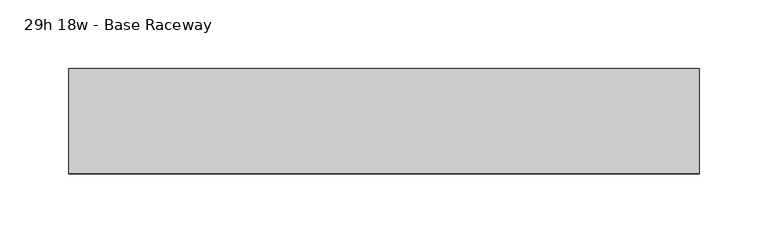
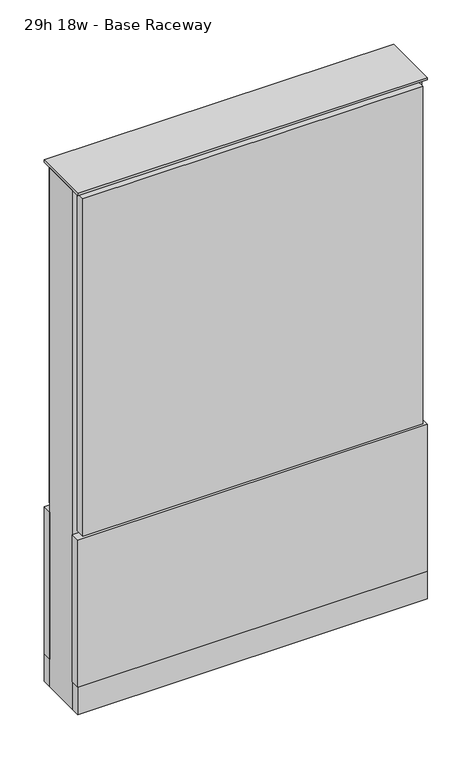
"""IFC4 building model written with IfcOpenShell, lengths in millimetres: furniture geometry, 29h 18w - Base Raceway."""

import ifcopenshell
import ifcopenshell.guid

model = None  # the IFC model being written
_history = None  # IfcOwnerHistory: only IFC2X3 demands one
_inside = {}  # id of a spatial element -> (the spatial element, [elements in it])
_under = {}  # id of a project, library or spatial element -> (it, [spatial elements below it])
_declared = {}  # id of a project -> (the project, [libraries it declares])
_typed = {}  # id of a type object -> (the type object, [elements of that type])
_made_of = {}  # id of a material, layer set ... -> (it, [elements and type objects made of it])


def new_model(schema):
    """Start an empty IFC model of exactly this schema.

    Asked for "IFC4X3", IfcOpenShell would pick the latest addendum, in which some entities
    have other attributes; the version numbers below select the first issue.
    IFC2X3 requires an IfcOwnerHistory on every rooted entity: one is made here for all.
    """
    global model, _history
    if schema == "IFC4X3":
        model = ifcopenshell.file(schema_version=(4, 3, 0, 0))
    else:
        model = ifcopenshell.file(schema=schema)
    _inside.clear()
    _under.clear()
    _declared.clear()
    _typed.clear()
    _made_of.clear()
    _history = None
    if model.schema == "IFC2X3":
        org = make("IfcOrganization", Name="unknown")
        user = make(
            "IfcPersonAndOrganization",
            ThePerson=make("IfcPerson", FamilyName="unknown"),
            TheOrganization=org,
        )
        app = make(
            "IfcApplication",
            ApplicationDeveloper=org,
            Version="unknown",
            ApplicationFullName="unknown",
            ApplicationIdentifier="unknown",
        )
        _history = make(
            "IfcOwnerHistory",
            OwningUser=user,
            OwningApplication=app,
            ChangeAction="ADDED",
            CreationDate=0,
        )
    return model


def make(cls, **values):
    """One entity of the class cls with the attributes given. An attribute that is None is left unset."""
    return model.create_entity(
        cls, **{name: value for name, value in values.items() if value is not None}
    )


def rooted(cls, **values):
    """An entity with a GlobalId (a new one), such as an element, a storey or a relation."""
    return make(cls, GlobalId=ifcopenshell.guid.new(), OwnerHistory=_history, **values)


def si_unit(unit_type, name, prefix=None):
    """IfcSIUnit, for example si_unit("LENGTHUNIT", "METRE", prefix="MILLI")."""
    return make("IfcSIUnit", UnitType=unit_type, Prefix=prefix, Name=name)


def assignment(units):
    """IfcUnitAssignment: the units of a project."""
    return None if units is None else make("IfcUnitAssignment", Units=units)


def point(xyz):
    """IfcCartesianPoint."""
    return None if xyz is None else make("IfcCartesianPoint", Coordinates=xyz)


def direction(xyz):
    """IfcDirection."""
    return None if xyz is None else make("IfcDirection", DirectionRatios=xyz)


def frame(location, z_axis=None, x_axis=None):
    """IfcAxis2Placement3D, a coordinate frame: its origin and axes. An axis left out is left unset."""
    return make(
        "IfcAxis2Placement3D",
        Location=point(location),
        Axis=direction(z_axis),
        RefDirection=direction(x_axis),
    )


def frame_2d(location, x_axis=None):
    """IfcAxis2Placement2D, a coordinate frame in the plane: its origin and x axis."""
    return make(
        "IfcAxis2Placement2D", Location=point(location), RefDirection=direction(x_axis)
    )


def origin():
    """The frame at (0, 0, 0) with its axes left unset."""
    return frame((0.0, 0.0, 0.0))


def origin_with_axes():
    """The frame at (0, 0, 0) with the z axis (0, 0, 1) and the x axis (1, 0, 0) written out."""
    return frame((0.0, 0.0, 0.0), z_axis=(0.0, 0.0, 1.0), x_axis=(1.0, 0.0, 0.0))


def place(relative_to, where):
    """IfcLocalPlacement: puts the frame where relative to a parent placement (None: the world)."""
    return make(
        "IfcLocalPlacement", PlacementRelTo=relative_to, RelativePlacement=where
    )


def context(
    kind, dimensions, precision=None, world=None, true_north=None, identifier=None
):
    """IfcGeometricRepresentationContext, for example the 3D "Model" context."""
    return make(
        "IfcGeometricRepresentationContext",
        ContextIdentifier=identifier,
        ContextType=kind,
        CoordinateSpaceDimension=dimensions,
        Precision=precision,
        WorldCoordinateSystem=world,
        TrueNorth=true_north,
    )


def project(units=None, contexts=None):
    """IfcProject with its units and contexts."""
    return rooted(
        "IfcProject",
        Name="project",
        RepresentationContexts=contexts,
        UnitsInContext=assignment(units),
    )


def spatial(cls, under=None, at=None, **own):
    """A site, building, storey or space (cls), placed at a placement, below another one or the project."""
    s = rooted(cls, ObjectPlacement=at, **own)
    if under is not None:
        _under.setdefault(under.id(), (under, []))[1].append(s)
    return s


def polyline(points):
    """IfcPolyline through the points."""
    return make("IfcPolyline", Points=[point(p) for p in points])


def circle_curve(where, radius):
    """IfcCircle in the frame where."""
    return make("IfcCircle", Position=where, Radius=radius)


def trimmed(basis, trim1, trim2, sense, master):
    """IfcTrimmedCurve: the piece of a basis curve between two trims."""
    return make(
        "IfcTrimmedCurve",
        BasisCurve=basis,
        Trim1=trim1,
        Trim2=trim2,
        SenseAgreement=sense,
        MasterRepresentation=master,
    )


def segment(curve, same_sense, transition):
    """IfcCompositeCurveSegment."""
    return make(
        "IfcCompositeCurveSegment",
        Transition=transition,
        SameSense=same_sense,
        ParentCurve=curve,
    )


def composite_curve(segments, self_intersect=None):
    """IfcCompositeCurve: segments joined end to end."""
    return make("IfcCompositeCurve", Segments=segments, SelfIntersect=self_intersect)


def outline(outer, holes=None, kind="AREA"):
    """IfcArbitraryClosedProfileDef: a profile drawn as a closed curve; with holes, ...WithVoids."""
    if holes is None:
        return make("IfcArbitraryClosedProfileDef", ProfileType=kind, OuterCurve=outer)
    return make(
        "IfcArbitraryProfileDefWithVoids",
        ProfileType=kind,
        OuterCurve=outer,
        InnerCurves=holes,
    )


def extrude(swept, where, along, depth):
    """IfcExtrudedAreaSolid: the profile swept, set in the frame where, extruded along a direction by depth."""
    return make(
        "IfcExtrudedAreaSolid",
        SweptArea=swept,
        Position=where,
        ExtrudedDirection=direction(along),
        Depth=depth,
    )


def shape(context_of_items, identifier, shape_type, items):
    """IfcShapeRepresentation: the items that make up one representation, for example the "Body"."""
    return make(
        "IfcShapeRepresentation",
        ContextOfItems=context_of_items,
        RepresentationIdentifier=identifier,
        RepresentationType=shape_type,
        Items=items,
    )


def source(mapping_origin, context_of_items, identifier, shape_type, items):
    """IfcRepresentationMap: a shape defined once, which mapped items show again and again."""
    return make(
        "IfcRepresentationMap",
        MappingOrigin=mapping_origin,
        MappedRepresentation=shape(context_of_items, identifier, shape_type, items),
    )


def transform(
    local_origin,
    x_axis=None,
    y_axis=None,
    z_axis=None,
    scale=None,
    scale2=None,
    scale3=None,
    uniform=True,
):
    """IfcCartesianTransformationOperator3D, or its non-uniform kind. x_axis, y_axis, z_axis: its Axis1, 2, 3."""
    if uniform:
        return make(
            "IfcCartesianTransformationOperator3D",
            Axis1=direction(x_axis),
            Axis2=direction(y_axis),
            LocalOrigin=point(local_origin),
            Scale=scale,
            Axis3=direction(z_axis),
        )
    return make(
        "IfcCartesianTransformationOperator3DnonUniform",
        Axis1=direction(x_axis),
        Axis2=direction(y_axis),
        LocalOrigin=point(local_origin),
        Scale=scale,
        Axis3=direction(z_axis),
        Scale2=scale2,
        Scale3=scale3,
    )


def mapped(mapping_source, mapping_target):
    """IfcMappedItem: shows the shape of a source again, moved by a transform."""
    return make(
        "IfcMappedItem", MappingSource=mapping_source, MappingTarget=mapping_target
    )


def made_of(thing, what):
    """Note that an element or type object is made of a material, layer set ...; save() writes the relation."""
    if what is not None:
        _made_of.setdefault(what.id(), (what, []))[1].append(thing)
    return thing


def element(
    cls,
    number,
    at=None,
    inside=None,
    cuts=None,
    type_object=None,
    material=None,
    context=None,
    identifier="Body",
    shape_type=None,
    held_by="IfcProductDefinitionShape",
    body=None,
    shapes=None,
    **own,
):
    """One element of the class cls, such as IfcWall. Its Tag is "e" and its number.

    at: its placement. inside: the storey or other place that contains it. cuts: it is an
    opening in that element (IfcRelVoidsElement). A single representation is given by context,
    identifier, shape_type and body (its items); several are given by shapes. held_by: the class
    of the entity that holds the representations. save() writes the other relations.
    """
    e = rooted(cls, Tag="e%d" % number, ObjectPlacement=at, **own)
    if body is not None:
        shapes = [shape(context, identifier, shape_type, body)]
    if shapes is not None:
        e.Representation = make(held_by, Representations=shapes)
    if inside is not None:
        _inside.setdefault(inside.id(), (inside, []))[1].append(e)
    if cuts is not None:
        rooted(
            "IfcRelVoidsElement", RelatingBuildingElement=cuts, RelatedOpeningElement=e
        )
    if type_object is not None:
        _typed.setdefault(type_object.id(), (type_object, []))[1].append(e)
    return made_of(e, material)


def aggregate(whole, parts):
    """IfcRelAggregates: a whole, such as a stair, and the parts it consists of."""
    return rooted("IfcRelAggregates", RelatingObject=whole, RelatedObjects=parts)


def save(model, path):
    """Write the relations noted so far, then the file.

    IfcRelAggregates (storeys below a building ...), IfcRelContainedInSpatialStructure (elements
    in a storey), IfcRelDefinesByType, IfcRelAssociatesMaterial and IfcRelDeclares: one each for
    every whole, place, type object, material and project.
    """
    for whole, parts in _under.values():
        aggregate(whole, parts)
    for where, things in _inside.values():
        rooted(
            "IfcRelContainedInSpatialStructure",
            RelatedElements=things,
            RelatingStructure=where,
        )
    for kind, things in _typed.values():
        rooted("IfcRelDefinesByType", RelatedObjects=things, RelatingType=kind)
    for what, things in _made_of.values():
        rooted("IfcRelAssociatesMaterial", RelatedObjects=things, RelatingMaterial=what)
    for by, libraries in _declared.values():
        rooted("IfcRelDeclares", RelatingContext=by, RelatedDefinitions=libraries)
    model.write(path)


def furniture_29h_18w_base_raceway_fc00d8c4(model_context):
    return source(origin(), model_context, "Body", "SweptSolid", [
        extrude(outline(composite_curve([segment(trimmed(circle_curve(frame_2d((154.8402902, 0.0)), 12.7), [point((142.1402902, 0.0))], [point((167.5402902, 0.0))], False, "CARTESIAN"), True, "CONTINUOUS"), segment(trimmed(circle_curve(frame_2d((154.8402902, 0.0)), 12.7), [point((167.5402902, 0.0))], [point((142.1402902, 0.0))], False, "CARTESIAN"), True, "CONTINUOUS")], self_intersect=False)), origin_with_axes(), (0.0, 0.0, 1.0), 12.7),
        extrude(outline(composite_curve([segment(trimmed(circle_curve(frame_2d((-149.9597098, 0.0)), 12.7), [point((-162.6597098, 0.0))], [point((-137.2597098, 0.0))], False, "CARTESIAN"), True, "CONTINUOUS"), segment(trimmed(circle_curve(frame_2d((-149.9597098, 0.0)), 12.7), [point((-137.2597098, 0.0))], [point((-162.6597098, 0.0))], False, "CARTESIAN"), True, "CONTINUOUS")], self_intersect=False)), origin_with_axes(), (0.0, 0.0, 1.0), 12.7),
        extrude(outline(polyline([(224.6902902, 38.1), (224.6902902, 25.4), (-219.8097098, 25.4), (-219.8097098, 38.1), (224.6902902, 38.1)])), frame((0.0, 0.0, 257.175), z_axis=(0.0, 0.0, 1.0), x_axis=(1.0, 0.0, 0.0)), (0.0, 0.0, 1.0), 466.725),
        extrude(outline(polyline([(231.0402902, 38.1), (231.0402902, 25.4), (-226.1597098, 25.4), (-226.1597098, 38.1), (231.0402902, 38.1)])), frame((0.0, 0.0, 50.8), z_axis=(0.0, 0.0, 1.0), x_axis=(1.0, 0.0, 0.0)), (0.0, 0.0, 1.0), 203.2),
        extrude(outline(polyline([(231.0402902, -38.1), (-226.1597098, -38.1), (-226.1597098, -25.4), (231.0402902, -25.4), (231.0402902, -38.1)])), frame((0.0, 0.0, 50.8), z_axis=(0.0, 0.0, 1.0), x_axis=(1.0, 0.0, 0.0)), (0.0, 0.0, 1.0), 203.2),
        extrude(outline(polyline([(224.6902902, -38.1), (-219.8097098, -38.1), (-219.8097098, -25.4), (224.6902902, -25.4), (224.6902902, -38.1)])), frame((0.0, 0.0, 257.175), z_axis=(0.0, 0.0, 1.0), x_axis=(1.0, 0.0, 0.0)), (0.0, 0.0, 1.0), 466.725),
        extrude(outline(polyline([(231.0402902, 25.4), (231.0402902, -25.4), (-226.1597098, -25.4), (-226.1597098, 25.4), (231.0402902, 25.4)])), frame((0.0, 0.0, 12.7), z_axis=(0.0, 0.0, 1.0), x_axis=(1.0, 0.0, 0.0)), (0.0, 0.0, 1.0), 717.55),
        extrude(outline(polyline([(-226.1597098, -38.1), (-226.1597098, 38.1), (231.0402902, 38.1), (231.0402902, -38.1), (-226.1597098, -38.1)])), frame((0.0, 0.0, 12.7), z_axis=(0.0, 0.0, 1.0), x_axis=(1.0, 0.0, 0.0)), (0.0, 0.0, 1.0), 38.1),
        extrude(outline(polyline([(-226.1597098, -38.1), (-226.1597098, 38.1), (231.0402902, 38.1), (231.0402902, -38.1), (-226.1597098, -38.1)])), frame((0.0, 0.0, 730.25), z_axis=(0.0, 0.0, 1.0), x_axis=(1.0, 0.0, 0.0)), (0.0, 0.0, 1.0), 3.175),
    ])


if __name__ == "__main__":
    model = new_model("IFC4")
    model_context = context("Model", 3, world=origin())
    ifc_project = project(units=[si_unit("LENGTHUNIT", "METRE", prefix="MILLI")], contexts=[model_context])
    site = spatial("IfcSite", under=ifc_project)
    building = spatial("IfcBuilding", under=site)
    placement = place(None, origin())
    furniture_29h_18w_base_raceway_shape = furniture_29h_18w_base_raceway_fc00d8c4(model_context)
    element("IfcFurniture", 1, ObjectType="29h 18w - Base Raceway", at=placement, inside=building, context=model_context, shape_type="MappedRepresentation", body=[
        mapped(furniture_29h_18w_base_raceway_shape, transform((0.0, 0.0, 0.0), x_axis=(1.0, 0.0, 0.0), y_axis=(0.0, 1.0, 0.0), z_axis=(0.0, 0.0, 1.0))),
    ])
    save(model, "model.ifc")
